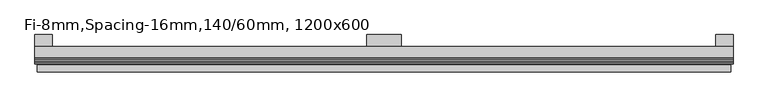
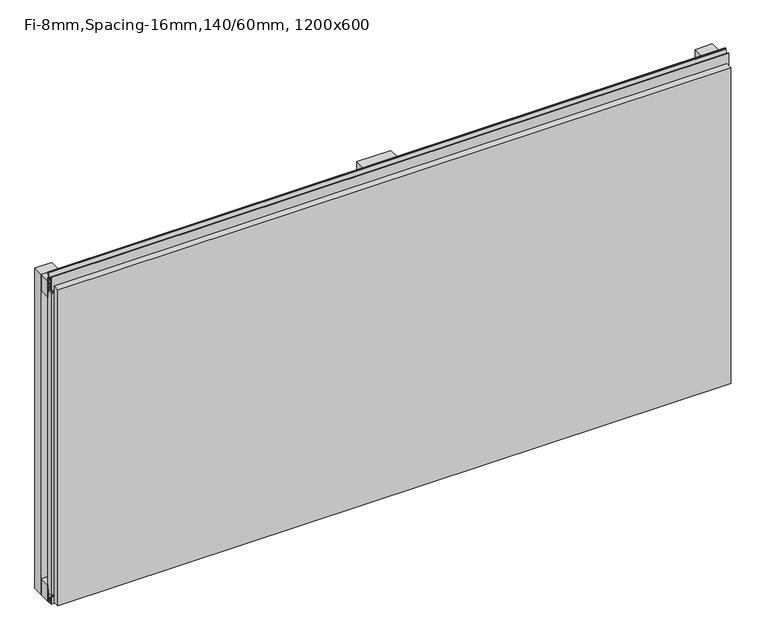
"""IFC4 building model written with IfcOpenShell, lengths in millimetres: plate geometry, Fi-8mm,Spacing-16mm,140/60mm, 1200x600."""

from ifc_helpers import new_model, si_unit, frame, origin, origin_with_axes, place, context, project, spatial, polyline, outline, extrude, faceted_brep, source, transform, mapped, element, save


def fi_8mm_spacing_16mm_140_60mm_1200x600_d7774ad4(model_context):
    return source(origin(), model_context, "Body", "SolidModel", [
        extrude(outline(polyline([(-600.0, -40.0), (-600.0, -20.0), (600.0, -20.0), (600.0, -40.0), (-600.0, -40.0)])), frame((0.0, 0.0, 570.0), z_axis=(0.0, 0.0, 1.0), x_axis=(1.0, 0.0, 0.0)), (0.0, 0.0, 1.0), 30.0),
        extrude(outline(polyline([(-600.0, -40.0), (-600.0, -20.0), (600.0, -20.0), (600.0, -40.0), (-600.0, -40.0)])), origin_with_axes(), (0.0, 0.0, 1.0), 30.0),
        extrude(outline(polyline([(570.0, 0.0), (600.0, 0.0), (600.0, -20.0), (570.0, -20.0), (570.0, 0.0)])), origin_with_axes(), (0.0, 0.0, 1.0), 600.0),
        extrude(outline(polyline([(30.0, 0.0), (30.0, -20.0), (-30.0, -20.0), (-30.0, 0.0), (30.0, 0.0)])), origin_with_axes(), (0.0, 0.0, 1.0), 600.0),
        extrude(outline(polyline([(-570.0, 0.0), (-570.0, -20.0), (-600.0, -20.0), (-600.0, 0.0), (-570.0, 0.0)])), origin_with_axes(), (0.0, 0.0, 1.0), 600.0),
        extrude(outline(polyline([(-40.0, 6.299084), (-40.0, 0.0), (-50.1, 0.0), (-50.1, 13.4156807), (-48.7, 13.4156807), (-48.7, 1.4156807), (-41.4, 1.4156807), (-41.4, 4.899084), (-45.5140545, 4.899084), (-41.4553267, 15.5703394), (-41.4553267, 22.991548), (-40.0553267, 22.991548), (-40.0553267, 15.3558599), (-43.5, 6.299084), (-40.0, 6.299084)])), frame((-600.0, 0.0, 0.0), z_axis=(1.0, 0.0, 0.0), x_axis=(0.0, 1.0, 0.0)), (0.0, 0.0, 1.0), 1200.0),
        extrude(outline(polyline([(-593.700916, -40.0), (-593.700916, -43.5), (-584.6441401, -40.0553267), (-577.008452, -40.0553267), (-577.008452, -41.4553267), (-584.4296606, -41.4553267), (-595.100916, -45.5140545), (-595.100916, -41.4), (-598.5843193, -41.4), (-598.5843193, -48.7), (-586.5843193, -48.7), (-586.5843193, -50.1), (-600.0, -50.1), (-600.0, -40.0), (-593.700916, -40.0)])), frame((0.0, 0.0, 16.9558599), z_axis=(0.0, 0.0, 1.0), x_axis=(1.0, 0.0, 0.0)), (0.0, 0.0, 1.0), 566.0882802),
        extrude(outline(polyline([(593.700916, -40.0), (600.0, -40.0), (600.0, -50.1), (586.5843193, -50.1), (586.5843193, -48.7), (598.5843193, -48.7), (598.5843193, -41.4), (595.100916, -41.4), (595.100916, -45.5140545), (584.4296606, -41.4553267), (577.008452, -41.4553267), (577.008452, -40.0553267), (584.6441401, -40.0553267), (593.700916, -43.5), (593.700916, -40.0)])), frame((0.0, 0.0, 16.9558599), z_axis=(0.0, 0.0, 1.0), x_axis=(1.0, 0.0, 0.0)), (0.0, 0.0, 1.0), 566.0882802),
        extrude(outline(polyline([(-48.7, 600.899084), (-41.4, 600.899084), (-41.4, 604.899084), (-45.5140545, 604.899084), (-41.4553267, 615.5703394), (-41.4553267, 616.9558599), (-40.0553267, 616.9558599), (-40.0553267, 615.3558599), (-43.5, 606.299084), (-40.0, 606.299084), (-40.0, 593.700916), (-43.5, 593.700916), (-40.0553267, 584.6441401), (-40.0553267, 583.0441401), (-41.4553267, 583.0441401), (-41.4553267, 584.4296606), (-45.5140545, 595.100916), (-41.4, 595.100916), (-41.4, 599.100916), (-48.7, 599.100916), (-48.7, 587.100916), (-50.1, 587.100916), (-50.1, 612.899084), (-48.7, 612.899084), (-48.7, 600.899084)])), frame((-600.0, 0.0, 0.0), z_axis=(1.0, 0.0, 0.0), x_axis=(0.0, 1.0, 0.0)), (0.0, 0.0, 1.0), 1200.0),
        faceted_brep([(596.0, -45.9, 596.0), (-596.0, -45.9, 596.0), (-596.0, -48.7, 596.0), (596.0, -48.7, 596.0), (-596.0, -63.9, 596.0), (596.0, -63.9, 596.0), (596.0, -51.9, 596.0), (-596.0, -51.9, 596.0), (-596.0, -45.9, 4.0), (596.0, -45.9, 4.0), (596.0, -48.7, 4.0), (-596.0, -48.7, 4.0), (596.0, -63.9, 4.0), (-596.0, -63.9, 4.0), (-596.0, -51.9, 4.0), (596.0, -51.9, 4.0), (584.0, -51.9, 584.0), (584.0, -51.9, 16.0), (584.0, -48.7, 16.0), (584.0, -48.7, 584.0), (-584.0, -51.9, 16.0), (-584.0, -48.7, 16.0), (-584.0, -51.9, 584.0), (-584.0, -48.7, 584.0)], [[[0, 1, 2, 3]], [[4, 5, 6, 7]], [[8, 9, 10, 11]], [[12, 13, 14, 15]], [[1, 0, 9, 8]], [[1, 8, 11, 2]], [[13, 4, 7, 14]], [[5, 4, 13, 12]], [[9, 0, 3, 10]], [[5, 12, 15, 6]], [[16, 17, 18, 19]], [[18, 17, 20, 21]], [[21, 20, 22, 23]], [[16, 19, 23, 22]], [[7, 6, 15, 14], [17, 16, 22, 20]], [[3, 2, 11, 10], [19, 18, 21, 23]]]),
    ])


if __name__ == "__main__":
    model = new_model("IFC4")
    model_context = context("Model", 3, world=origin())
    ifc_project = project(units=[si_unit("LENGTHUNIT", "METRE", prefix="MILLI")], contexts=[model_context])
    site = spatial("IfcSite", under=ifc_project)
    building = spatial("IfcBuilding", under=site)
    placement = place(None, origin())
    fi_8mm_spacing_16mm_140_60mm_1200x600_shape = fi_8mm_spacing_16mm_140_60mm_1200x600_d7774ad4(model_context)
    element("IfcPlate", 1, ObjectType="Fi-8mm,Spacing-16mm,140/60mm, 1200x600", at=placement, inside=building, context=model_context, shape_type="MappedRepresentation", body=[
        mapped(fi_8mm_spacing_16mm_140_60mm_1200x600_shape, transform((0.0, 0.0, 0.0), x_axis=(1.0, 0.0, 0.0), y_axis=(0.0, 1.0, 0.0), z_axis=(0.0, 0.0, 1.0))),
    ])
    save(model, "model.ifc")
